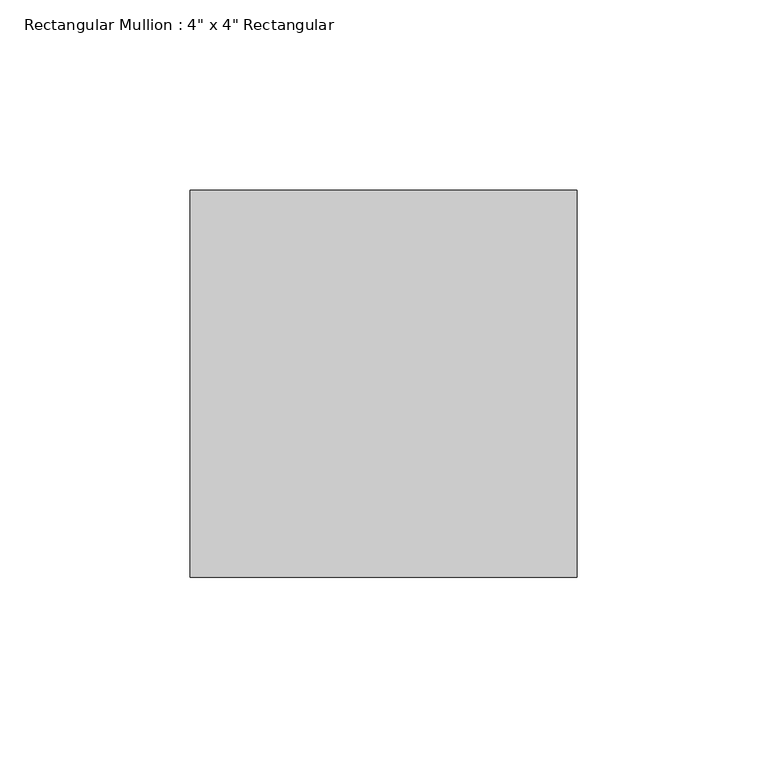
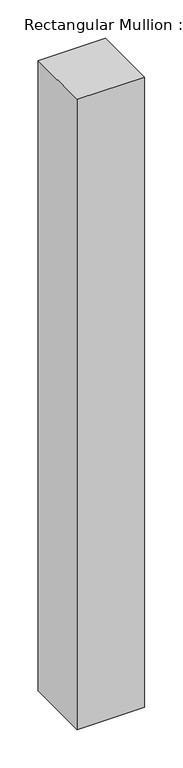
"""IFC4 building model written with IfcOpenShell, lengths in millimetres: member geometry."""

import ifcopenshell
import ifcopenshell.guid

model = None  # the IFC model being written
_history = None  # IfcOwnerHistory: only IFC2X3 demands one
_inside = {}  # id of a spatial element -> (the spatial element, [elements in it])
_under = {}  # id of a project, library or spatial element -> (it, [spatial elements below it])
_declared = {}  # id of a project -> (the project, [libraries it declares])
_typed = {}  # id of a type object -> (the type object, [elements of that type])
_made_of = {}  # id of a material, layer set ... -> (it, [elements and type objects made of it])


def new_model(schema):
    """Start an empty IFC model of exactly this schema.

    Asked for "IFC4X3", IfcOpenShell would pick the latest addendum, in which some entities
    have other attributes; the version numbers below select the first issue.
    IFC2X3 requires an IfcOwnerHistory on every rooted entity: one is made here for all.
    """
    global model, _history
    if schema == "IFC4X3":
        model = ifcopenshell.file(schema_version=(4, 3, 0, 0))
    else:
        model = ifcopenshell.file(schema=schema)
    _inside.clear()
    _under.clear()
    _declared.clear()
    _typed.clear()
    _made_of.clear()
    _history = None
    if model.schema == "IFC2X3":
        org = make("IfcOrganization", Name="unknown")
        user = make(
            "IfcPersonAndOrganization",
            ThePerson=make("IfcPerson", FamilyName="unknown"),
            TheOrganization=org,
        )
        app = make(
            "IfcApplication",
            ApplicationDeveloper=org,
            Version="unknown",
            ApplicationFullName="unknown",
            ApplicationIdentifier="unknown",
        )
        _history = make(
            "IfcOwnerHistory",
            OwningUser=user,
            OwningApplication=app,
            ChangeAction="ADDED",
            CreationDate=0,
        )
    return model


def make(cls, **values):
    """One entity of the class cls with the attributes given. An attribute that is None is left unset."""
    return model.create_entity(
        cls, **{name: value for name, value in values.items() if value is not None}
    )


def rooted(cls, **values):
    """An entity with a GlobalId (a new one), such as an element, a storey or a relation."""
    return make(cls, GlobalId=ifcopenshell.guid.new(), OwnerHistory=_history, **values)


def si_unit(unit_type, name, prefix=None):
    """IfcSIUnit, for example si_unit("LENGTHUNIT", "METRE", prefix="MILLI")."""
    return make("IfcSIUnit", UnitType=unit_type, Prefix=prefix, Name=name)


def assignment(units):
    """IfcUnitAssignment: the units of a project."""
    return None if units is None else make("IfcUnitAssignment", Units=units)


def point(xyz):
    """IfcCartesianPoint."""
    return None if xyz is None else make("IfcCartesianPoint", Coordinates=xyz)


def direction(xyz):
    """IfcDirection."""
    return None if xyz is None else make("IfcDirection", DirectionRatios=xyz)


def frame(location, z_axis=None, x_axis=None):
    """IfcAxis2Placement3D, a coordinate frame: its origin and axes. An axis left out is left unset."""
    return make(
        "IfcAxis2Placement3D",
        Location=point(location),
        Axis=direction(z_axis),
        RefDirection=direction(x_axis),
    )


def origin():
    """The frame at (0, 0, 0) with its axes left unset."""
    return frame((0.0, 0.0, 0.0))


def place(relative_to, where):
    """IfcLocalPlacement: puts the frame where relative to a parent placement (None: the world)."""
    return make(
        "IfcLocalPlacement", PlacementRelTo=relative_to, RelativePlacement=where
    )


def context(
    kind, dimensions, precision=None, world=None, true_north=None, identifier=None
):
    """IfcGeometricRepresentationContext, for example the 3D "Model" context."""
    return make(
        "IfcGeometricRepresentationContext",
        ContextIdentifier=identifier,
        ContextType=kind,
        CoordinateSpaceDimension=dimensions,
        Precision=precision,
        WorldCoordinateSystem=world,
        TrueNorth=true_north,
    )


def project(units=None, contexts=None):
    """IfcProject with its units and contexts."""
    return rooted(
        "IfcProject",
        Name="project",
        RepresentationContexts=contexts,
        UnitsInContext=assignment(units),
    )


def spatial(cls, under=None, at=None, **own):
    """A site, building, storey or space (cls), placed at a placement, below another one or the project."""
    s = rooted(cls, ObjectPlacement=at, **own)
    if under is not None:
        _under.setdefault(under.id(), (under, []))[1].append(s)
    return s


def polyline(points):
    """IfcPolyline through the points."""
    return make("IfcPolyline", Points=[point(p) for p in points])


def outline(outer, holes=None, kind="AREA"):
    """IfcArbitraryClosedProfileDef: a profile drawn as a closed curve; with holes, ...WithVoids."""
    if holes is None:
        return make("IfcArbitraryClosedProfileDef", ProfileType=kind, OuterCurve=outer)
    return make(
        "IfcArbitraryProfileDefWithVoids",
        ProfileType=kind,
        OuterCurve=outer,
        InnerCurves=holes,
    )


def extrude(swept, where, along, depth):
    """IfcExtrudedAreaSolid: the profile swept, set in the frame where, extruded along a direction by depth."""
    return make(
        "IfcExtrudedAreaSolid",
        SweptArea=swept,
        Position=where,
        ExtrudedDirection=direction(along),
        Depth=depth,
    )


def shape(context_of_items, identifier, shape_type, items):
    """IfcShapeRepresentation: the items that make up one representation, for example the "Body"."""
    return make(
        "IfcShapeRepresentation",
        ContextOfItems=context_of_items,
        RepresentationIdentifier=identifier,
        RepresentationType=shape_type,
        Items=items,
    )


def source(mapping_origin, context_of_items, identifier, shape_type, items):
    """IfcRepresentationMap: a shape defined once, which mapped items show again and again."""
    return make(
        "IfcRepresentationMap",
        MappingOrigin=mapping_origin,
        MappedRepresentation=shape(context_of_items, identifier, shape_type, items),
    )


def transform(
    local_origin,
    x_axis=None,
    y_axis=None,
    z_axis=None,
    scale=None,
    scale2=None,
    scale3=None,
    uniform=True,
):
    """IfcCartesianTransformationOperator3D, or its non-uniform kind. x_axis, y_axis, z_axis: its Axis1, 2, 3."""
    if uniform:
        return make(
            "IfcCartesianTransformationOperator3D",
            Axis1=direction(x_axis),
            Axis2=direction(y_axis),
            LocalOrigin=point(local_origin),
            Scale=scale,
            Axis3=direction(z_axis),
        )
    return make(
        "IfcCartesianTransformationOperator3DnonUniform",
        Axis1=direction(x_axis),
        Axis2=direction(y_axis),
        LocalOrigin=point(local_origin),
        Scale=scale,
        Axis3=direction(z_axis),
        Scale2=scale2,
        Scale3=scale3,
    )


def mapped(mapping_source, mapping_target):
    """IfcMappedItem: shows the shape of a source again, moved by a transform."""
    return make(
        "IfcMappedItem", MappingSource=mapping_source, MappingTarget=mapping_target
    )


def made_of(thing, what):
    """Note that an element or type object is made of a material, layer set ...; save() writes the relation."""
    if what is not None:
        _made_of.setdefault(what.id(), (what, []))[1].append(thing)
    return thing


def element(
    cls,
    number,
    at=None,
    inside=None,
    cuts=None,
    type_object=None,
    material=None,
    context=None,
    identifier="Body",
    shape_type=None,
    held_by="IfcProductDefinitionShape",
    body=None,
    shapes=None,
    **own,
):
    """One element of the class cls, such as IfcWall. Its Tag is "e" and its number.

    at: its placement. inside: the storey or other place that contains it. cuts: it is an
    opening in that element (IfcRelVoidsElement). A single representation is given by context,
    identifier, shape_type and body (its items); several are given by shapes. held_by: the class
    of the entity that holds the representations. save() writes the other relations.
    """
    e = rooted(cls, Tag="e%d" % number, ObjectPlacement=at, **own)
    if body is not None:
        shapes = [shape(context, identifier, shape_type, body)]
    if shapes is not None:
        e.Representation = make(held_by, Representations=shapes)
    if inside is not None:
        _inside.setdefault(inside.id(), (inside, []))[1].append(e)
    if cuts is not None:
        rooted(
            "IfcRelVoidsElement", RelatingBuildingElement=cuts, RelatedOpeningElement=e
        )
    if type_object is not None:
        _typed.setdefault(type_object.id(), (type_object, []))[1].append(e)
    return made_of(e, material)


def aggregate(whole, parts):
    """IfcRelAggregates: a whole, such as a stair, and the parts it consists of."""
    return rooted("IfcRelAggregates", RelatingObject=whole, RelatedObjects=parts)


def save(model, path):
    """Write the relations noted so far, then the file.

    IfcRelAggregates (storeys below a building ...), IfcRelContainedInSpatialStructure (elements
    in a storey), IfcRelDefinesByType, IfcRelAssociatesMaterial and IfcRelDeclares: one each for
    every whole, place, type object, material and project.
    """
    for whole, parts in _under.values():
        aggregate(whole, parts)
    for where, things in _inside.values():
        rooted(
            "IfcRelContainedInSpatialStructure",
            RelatedElements=things,
            RelatingStructure=where,
        )
    for kind, things in _typed.values():
        rooted("IfcRelDefinesByType", RelatedObjects=things, RelatingType=kind)
    for what, things in _made_of.values():
        rooted("IfcRelAssociatesMaterial", RelatedObjects=things, RelatingMaterial=what)
    for by, libraries in _declared.values():
        rooted("IfcRelDeclares", RelatingContext=by, RelatedDefinitions=libraries)
    model.write(path)


def member_49ec74d5(model_context):
    return source(origin(), model_context, "Body", "SweptSolid", [
        extrude(outline(polyline([(0.0, 50.8), (0.0, -50.8), (-101.6, -50.8), (-101.6, 50.8), (0.0, 50.8)])), frame((0.0, 0.0, -1003.3), z_axis=(0.0, 0.0, 1.0), x_axis=(1.0, 0.0, 0.0)), (0.0, 0.0, 1.0), 1003.3),
    ])


if __name__ == "__main__":
    model = new_model("IFC4")
    model_context = context("Model", 3, world=origin())
    ifc_project = project(units=[si_unit("LENGTHUNIT", "METRE", prefix="MILLI")], contexts=[model_context])
    site = spatial("IfcSite", under=ifc_project)
    building = spatial("IfcBuilding", under=site)
    placement = place(None, origin())
    member_shape = member_49ec74d5(model_context)
    element("IfcMember", 1, ObjectType="Rectangular Mullion : 4\" x 4\" Rectangular", at=placement, inside=building, context=model_context, shape_type="MappedRepresentation", body=[
        mapped(member_shape, transform((0.0, 0.0, 0.0), x_axis=(1.0, 0.0, 0.0), y_axis=(0.0, 1.0, 0.0), z_axis=(0.0, 0.0, 1.0))),
    ])
    save(model, "model.ifc")
